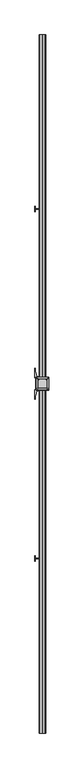
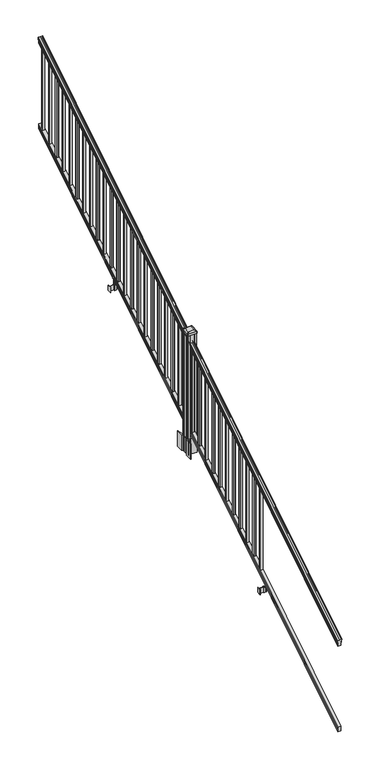
"""IFC4 building model written with IfcOpenShell, lengths in millimetres: railing geometry."""

from ifc_helpers import new_model, si_unit, point, frame, frame_2d, origin, place, context, project, spatial, polyline, circle_curve, ellipse_curve, trimmed, segment, composite_curve, outline, extrude, faceted_brep, source, transform, mapped, element, save
from ifc_brep_helpers import plane_surface, cylinder_surface, revolved_surface, extruded_surface, advanced_brep


def railing_f071205e(model_context):
    return source(origin(), model_context, "Body", "SolidModel", [
        advanced_brep(
        [(11261.7130321, -7669.8194681, 1133.2070492), (11261.7130321, -7669.8194681, 1135.4335658), (11262.8432184, -7669.8194681, 1137.2758543), (11262.8432184, -7669.8194681, 1145.7876358), (11262.193962, -7669.8194681, 1148.6572588), (11264.693962, -7669.8194681, 1153.7635509), (11266.1033045, -7669.8194681, 1155.7442021), (11266.5052035, -7669.8194681, 1157.0469579), (11266.5052034, -7669.8194681, 1158.6274846), (11264.9517561, -7669.8194681, 1160.4593836), (11244.2802034, -7669.8194681, 1160.4593836), (11223.6086506, -7669.8194681, 1160.4593836), (11222.0552034, -7669.8194681, 1158.6274846), (11222.0552034, -7669.8194681, 1157.0469579), (11222.4571023, -7669.8194681, 1155.7442021), (11223.8664447, -7669.8194681, 1153.7635509), (11226.3664447, -7669.8194681, 1148.6572588), (11225.7171883, -7669.8194681, 1145.7876358), (11225.7171883, -7669.8194681, 1137.2758543), (11226.8473746, -7669.8194681, 1135.4335658), (11226.8473746, -7669.8194681, 1133.2070492), (11229.4212034, -7669.8194681, 1133.2070492), (11229.4212034, -7669.8194681, 1120.825537), (11228.4052034, -7669.8194681, 1119.6274214), (11228.4052034, -7669.8194681, 1104.9), (11260.1552034, -7669.8194681, 1104.9), (11260.1552034, -7669.8194681, 1119.441318), (11259.1392034, -7669.8194681, 1120.6394336), (11259.1392034, -7669.8194681, 1133.2070492), (11261.7130321, -2793.0194681, 4181.2070492), (11259.1392034, -2793.0194681, 4181.2070492), (11259.1392034, -2793.0194681, 4168.6394336), (11260.1552034, -2793.0194681, 4167.441318), (11260.1552034, -2793.0194681, 4152.9), (11228.4052034, -2793.0194681, 4152.9), (11228.4052034, -2793.0194681, 4167.6274214), (11229.4212034, -2793.0194681, 4168.825537), (11229.4212034, -2793.0194681, 4181.2070492), (11226.8473746, -2793.0194681, 4181.2070492), (11226.8473746, -2793.0194681, 4183.4335658), (11225.7171883, -2793.0194681, 4185.2758543), (11225.7171883, -2793.0194681, 4193.7876358), (11226.3664447, -2793.0194681, 4196.6572588), (11223.8664447, -2793.0194681, 4201.7635509), (11222.4571023, -2793.0194681, 4203.7442021), (11222.0552033, -2793.0194681, 4205.0469579), (11222.0552034, -2793.0194681, 4206.6274846), (11223.6086506, -2793.0194681, 4208.4593836), (11244.2802034, -2793.0194681, 4208.4593836), (11264.9517561, -2793.0194681, 4208.4593836), (11266.5052034, -2793.0194681, 4206.6274846), (11266.5052034, -2793.0194681, 4205.0469579), (11266.1033045, -2793.0194681, 4203.7442021), (11264.693962, -2793.0194681, 4201.7635509), (11262.193962, -2793.0194681, 4196.6572588), (11262.8432184, -2793.0194681, 4193.7876358), (11262.8432184, -2793.0194681, 4185.2758543), (11261.7130321, -2793.0194681, 4183.4335658)],
        [
            (0, 1),
            (1, 2, ellipse_curve(frame((11255.3982788, -7669.8194681, 1142.2239405), z_axis=(0.0, -1.0, 0.0), x_axis=(0.0, 0.0, -1.0)), 10.0777926, 8.545951)),
            (2, 3, ellipse_curve(frame((11255.8353418, -7669.8194681, 1141.5317451), z_axis=(0.0, -1.0, 0.0), x_axis=(0.0, 0.0, -1.0)), 9.2955186, 7.882584)),
            (3, 4, ellipse_curve(frame((11266.3486659, -7669.8194681, 1148.4275077), z_axis=(0.0, 1.0, 0.0), x_axis=(0.0, 0.0, 1.0)), 4.9048088, 4.1592695)),
            (4, 5, ellipse_curve(frame((11267.6359725, -7669.8194681, 1148.3563208), z_axis=(0.0, 1.0, 0.0), x_axis=(0.0, 0.0, 1.0)), 6.4245301, 5.4479907)),
            (5, 6, ellipse_curve(frame((11266.402814, -7669.8194681, 1153.7602333), z_axis=(0.0, 1.0, 0.0), x_axis=(0.0, 0.0, 1.0)), 2.0151625, 1.7088543)),
            (6, 7, ellipse_curve(frame((11264.7859139, -7669.8194681, 1157.0469579), z_axis=(0.0, -1.0, 0.0), x_axis=(0.0, 0.0, -1.0)), 2.0274681, 1.7192895)),
            (7, 8),
            (8, 9, ellipse_curve(frame((11264.9517561, -7669.8194681, 1158.6274846), z_axis=(0.0, -1.0, 0.0), x_axis=(0.0, 0.0, -1.0)), 1.831899, 1.5534472)),
            (9, 10),
            (10, 11),
            (11, 12, ellipse_curve(frame((11223.6086506, -7669.8194681, 1158.6274846), z_axis=(0.0, -1.0, 0.0), x_axis=(0.0, 0.0, -1.0)), 1.831899, 1.5534472)),
            (12, 13),
            (13, 14, ellipse_curve(frame((11223.7744928, -7669.8194681, 1157.0469579), z_axis=(0.0, -1.0, 0.0), x_axis=(0.0, 0.0, -1.0)), 2.0274681, 1.7192895)),
            (14, 15, ellipse_curve(frame((11222.1575927, -7669.8194681, 1153.7602333), z_axis=(0.0, 1.0, 0.0), x_axis=(0.0, 0.0, 1.0)), 2.0151625, 1.7088543)),
            (15, 16, ellipse_curve(frame((11220.9244343, -7669.8194681, 1148.3563208), z_axis=(0.0, 1.0, 0.0), x_axis=(0.0, 0.0, 1.0)), 6.4245301, 5.4479907)),
            (16, 17, ellipse_curve(frame((11222.2117408, -7669.8194681, 1148.4275077), z_axis=(0.0, 1.0, 0.0), x_axis=(0.0, 0.0, 1.0)), 4.9048088, 4.1592695)),
            (17, 18, ellipse_curve(frame((11232.725065, -7669.8194681, 1141.5317451), z_axis=(0.0, -1.0, 0.0), x_axis=(0.0, 0.0, -1.0)), 9.2955186, 7.882584)),
            (18, 19, ellipse_curve(frame((11233.1621279, -7669.8194681, 1142.2239405), z_axis=(0.0, -1.0, 0.0), x_axis=(0.0, 0.0, -1.0)), 10.0777926, 8.545951)),
            (19, 20),
            (20, 21, ellipse_curve(frame((11228.134289, -7669.8194681, 1133.2070492), z_axis=(0.0, -1.0, 0.0), x_axis=(0.0, 0.0, -1.0)), 1.5175907, 1.2869144)),
            (21, 22),
            (22, 23),
            (23, 24),
            (24, 25),
            (25, 26),
            (26, 27),
            (27, 28),
            (28, 0, ellipse_curve(frame((11260.4261177, -7669.8194681, 1133.2070492), z_axis=(0.0, -1.0, 0.0), x_axis=(0.0, 0.0, -1.0)), 1.5175907, 1.2869144)),
            (29, 30, ellipse_curve(frame((11260.4261177, -2793.0194681, 4181.2070492), z_axis=(0.0, 1.0, 0.0), x_axis=(0.0, 0.0, -1.0)), 1.5175907, 1.2869144)),
            (30, 31),
            (31, 32),
            (32, 33),
            (33, 34),
            (34, 35),
            (35, 36),
            (36, 37),
            (37, 38, ellipse_curve(frame((11228.134289, -2793.0194681, 4181.2070492), z_axis=(0.0, 1.0, 0.0), x_axis=(0.0, 0.0, -1.0)), 1.5175907, 1.2869144)),
            (38, 39),
            (39, 40, ellipse_curve(frame((11233.1621279, -2793.0194681, 4190.2239405), z_axis=(0.0, 1.0, 0.0), x_axis=(0.0, 0.0, -1.0)), 10.0777926, 8.545951)),
            (40, 41, ellipse_curve(frame((11232.725065, -2793.0194681, 4189.5317451), z_axis=(0.0, 1.0, 0.0), x_axis=(0.0, 0.0, -1.0)), 9.2955186, 7.882584)),
            (41, 42, ellipse_curve(frame((11222.2117408, -2793.0194681, 4196.4275077), z_axis=(0.0, -1.0, 0.0), x_axis=(0.0, 0.0, 1.0)), 4.9048088, 4.1592695)),
            (42, 43, ellipse_curve(frame((11220.9244343, -2793.0194681, 4196.3563208), z_axis=(0.0, -1.0, 0.0), x_axis=(0.0, 0.0, 1.0)), 6.4245301, 5.4479907)),
            (43, 44, ellipse_curve(frame((11222.1575927, -2793.0194681, 4201.7602333), z_axis=(0.0, -1.0, 0.0), x_axis=(0.0, 0.0, 1.0)), 2.0151625, 1.7088543)),
            (44, 45, ellipse_curve(frame((11223.7744928, -2793.0194681, 4205.0469579), z_axis=(0.0, 1.0, 0.0), x_axis=(0.0, 0.0, -1.0)), 2.0274681, 1.7192895)),
            (45, 46),
            (46, 47, ellipse_curve(frame((11223.6086506, -2793.0194681, 4206.6274846), z_axis=(0.0, 1.0, 0.0), x_axis=(0.0, 0.0, -1.0)), 1.831899, 1.5534472)),
            (47, 48),
            (48, 49),
            (49, 50, ellipse_curve(frame((11264.9517561, -2793.0194681, 4206.6274846), z_axis=(0.0, 1.0, 0.0), x_axis=(0.0, 0.0, -1.0)), 1.831899, 1.5534472)),
            (50, 51),
            (51, 52, ellipse_curve(frame((11264.7859139, -2793.0194681, 4205.0469579), z_axis=(0.0, 1.0, 0.0), x_axis=(0.0, 0.0, -1.0)), 2.0274681, 1.7192895)),
            (52, 53, ellipse_curve(frame((11266.402814, -2793.0194681, 4201.7602333), z_axis=(0.0, -1.0, 0.0), x_axis=(0.0, 0.0, 1.0)), 2.0151625, 1.7088543)),
            (53, 54, ellipse_curve(frame((11267.6359725, -2793.0194681, 4196.3563208), z_axis=(0.0, -1.0, 0.0), x_axis=(0.0, 0.0, 1.0)), 6.4245301, 5.4479907)),
            (54, 55, ellipse_curve(frame((11266.3486659, -2793.0194681, 4196.4275077), z_axis=(0.0, -1.0, 0.0), x_axis=(0.0, 0.0, 1.0)), 4.9048088, 4.1592695)),
            (55, 56, ellipse_curve(frame((11255.8353418, -2793.0194681, 4189.5317451), z_axis=(0.0, 1.0, 0.0), x_axis=(0.0, 0.0, -1.0)), 9.2955186, 7.882584)),
            (56, 57, ellipse_curve(frame((11255.3982788, -2793.0194681, 4190.2239405), z_axis=(0.0, 1.0, 0.0), x_axis=(0.0, 0.0, -1.0)), 10.0777926, 8.545951)),
            (57, 29),
            (28, 30),
            (29, 0),
            (27, 31),
            (26, 32),
            (25, 33),
            (24, 34),
            (23, 35),
            (22, 36),
            (21, 37),
            (20, 38),
            (19, 39),
            (18, 40),
            (17, 41),
            (16, 42),
            (15, 43),
            (14, 44),
            (13, 45),
            (12, 46),
            (11, 47),
            (10, 48),
            (9, 49),
            (8, 50),
            (7, 51),
            (6, 52),
            (5, 53),
            (4, 54),
            (3, 55),
            (2, 56),
            (1, 57),
        ],
        [
            plane_surface(frame((11244.2802034, -7669.8194681, 1104.9), z_axis=(0.0, -1.0, 0.0), x_axis=(0.0, 0.0, 1.0))),
            plane_surface(frame((11244.2802034, -2793.0194681, 4152.9), z_axis=(0.0, 1.0, 0.0), x_axis=(0.0, 0.0, 1.0))),
            cylinder_surface(frame((11260.4261177, -7682.5417374, 1125.2556309), z_axis=(0.0, -0.8479983040051253, -0.5299989400031204), x_axis=(-1.0, 0.0, 0.0)), 1.2869144),
            plane_surface(frame((11259.1392034, -7669.8194681, 1120.6394336), z_axis=(1.0000000000000002, 0.0, 0.0), x_axis=(0.0, 0.8479983040051253, 0.5299989400031204))),
            plane_surface(frame((11260.1552034, -7669.8194681, 1119.441318), z_axis=(0.7071067811865389, -0.3747658444978942, 0.5996253511967224), x_axis=(0.0, 0.8479983040051252, 0.5299989400031204))),
            plane_surface(frame((11260.1552034, -7669.8194681, 1104.9), z_axis=(1.0000000000000002, 0.0, 0.0), x_axis=(0.0, 0.8479983040051253, 0.5299989400031204))),
            plane_surface(frame((11228.4052034, -7669.8194681, 1104.9), z_axis=(0.0, 0.5299989400031204, -0.8479983040051253), x_axis=(0.0, 0.8479983040051253, 0.5299989400031204))),
            plane_surface(frame((11228.4052034, -7669.8194681, 1119.6274214), z_axis=(-1.0000000000000002, 0.0, 0.0), x_axis=(0.0, 0.8479983040051253, 0.5299989400031204))),
            plane_surface(frame((11229.4212034, -7669.8194681, 1120.825537), z_axis=(-0.7071067811865439, -0.37476584449788974, 0.5996253511967192), x_axis=(0.0, 0.8479983040051252, 0.5299989400031205))),
            plane_surface(frame((11229.4212034, -7669.8194681, 1133.2070492), z_axis=(-1.0000000000000002, 0.0, 0.0), x_axis=(0.0, 0.8479983040051253, 0.5299989400031204))),
            cylinder_surface(frame((11228.134289, -7682.5417374, 1125.2556309), z_axis=(0.0, -0.8479983040051253, -0.5299989400031204), x_axis=(1.0, 0.0, 0.0)), 1.2869144),
            plane_surface(frame((11226.8473746, -7669.8194681, 1135.4335658), z_axis=(-1.0000000000000002, 0.0, 0.0), x_axis=(0.0, 0.8479983040051253, 0.5299989400031204))),
            cylinder_surface(frame((11233.1621279, -7686.5942728, 1131.7396876), z_axis=(0.0, -0.8479983040051253, -0.5299989400031204), x_axis=(1.0, 0.0, 0.0)), 8.545951),
            cylinder_surface(frame((11232.725065, -7686.2831737, 1131.241929), z_axis=(0.0, -0.8479983040051253, -0.5299989400031204), x_axis=(1.0, 0.0, 0.0)), 7.882584),
            revolved_surface(polyline([(11226.3710103, -2790.8150596503465, 4197.805262980555), (11226.3710103, -7672.023876549438, 1147.0497524190998)]), (11222.2117408, -7689.3823929, 1136.2006797), (0.0, 0.8479983040051253, 0.5299989400031204)),
            revolved_surface(polyline([(11226.372425, -2790.132038835739, 4198.160964077184), (11226.372425, -7672.7068973528085, 1146.5516775044932)]), (11220.9244343, -7689.3503988, 1136.1494891), (0.0, 0.8479983040051253, 0.5299989400031204)),
            revolved_surface(polyline([(11223.866447, -2792.113777099783, 4202.326290199657), (11223.866447, -7670.725159122471, 1153.1941764359535)]), (11222.1575927, -7691.7791235, 1140.0354487), (0.0, 0.8479983040051253, 0.5299989400031204)),
            cylinder_surface(frame((11223.7744928, -7693.2563031, 1142.398936), z_axis=(0.0, -0.8479983040051253, -0.5299989400031204), x_axis=(1.0, 0.0, 0.0)), 1.7192895),
            plane_surface(frame((11222.0552034, -7669.8194681, 1158.6274846), z_axis=(-1.0000000000000002, 0.0, 0.0), x_axis=(0.0, 0.8479983040051253, 0.5299989400031204))),
            cylinder_surface(frame((11223.6086506, -7693.9666522, 1143.5354945), z_axis=(0.0, -0.8479983040051253, -0.5299989400031204), x_axis=(1.0, 0.0, 0.0)), 1.5534472),
            plane_surface(frame((11244.2802034, -7669.8194681, 1160.4593836), z_axis=(0.0, -0.5299989400031204, 0.8479983040051253), x_axis=(0.0, 0.8479983040051253, 0.5299989400031204))),
            plane_surface(frame((11264.9517561, -7669.8194681, 1160.4593836), z_axis=(0.0, -0.5299989400031204, 0.8479983040051253), x_axis=(0.0, 0.8479983040051253, 0.5299989400031204))),
            cylinder_surface(frame((11264.9517561, -7693.9666522, 1143.5354945), z_axis=(0.0, -0.8479983040051253, -0.5299989400031204), x_axis=(-1.0, 0.0, 0.0)), 1.5534472),
            plane_surface(frame((11266.5052034, -7669.8194681, 1157.0469579), z_axis=(1.0000000000000002, 0.0, 0.0), x_axis=(0.0, 0.8479983040051253, 0.5299989400031204))),
            cylinder_surface(frame((11264.7859139, -7693.2563031, 1142.398936), z_axis=(0.0, -0.8479983040051253, -0.5299989400031204), x_axis=(-1.0, 0.0, 0.0)), 1.7192895),
            revolved_surface(polyline([(11264.693959699998, -2792.113777099783, 4202.326290199657), (11264.693959699998, -7670.725159122471, 1153.1941764359535)]), (11266.402814, -7691.7791235, 1140.0354487), (0.0, 0.8479983040051253, 0.5299989400031204)),
            revolved_surface(polyline([(11262.1879818, -2790.132038835739, 4198.160964077184), (11262.1879818, -7672.7068973528085, 1146.5516775044932)]), (11267.6359725, -7689.3503988, 1136.1494891), (0.0, 0.8479983040051253, 0.5299989400031204)),
            revolved_surface(polyline([(11262.1893964, -2790.8150596503465, 4197.805262980555), (11262.1893964, -7672.023876549438, 1147.0497524190998)]), (11266.3486659, -7689.3823929, 1136.2006797), (0.0, 0.8479983040051253, 0.5299989400031204)),
            cylinder_surface(frame((11255.8353418, -7686.2831737, 1131.241929), z_axis=(0.0, -0.8479983040051253, -0.5299989400031204), x_axis=(-1.0, 0.0, 0.0)), 7.882584),
            cylinder_surface(frame((11255.3982788, -7686.5942728, 1131.7396876), z_axis=(0.0, -0.8479983040051253, -0.5299989400031204), x_axis=(-1.0, 0.0, 0.0)), 8.545951),
            plane_surface(frame((11261.7130321, -7669.8194681, 1133.2070492), z_axis=(1.0, 0.0, 0.0), x_axis=(0.0, 0.8479983040051253, 0.5299989400031203))),
        ],
        [
            (0, [[1, 2, 3, 4, 5, 6, 7, 8, 9, 10, 11, 12, 13, 14, 15, 16, 17, 18, 19, 20, 21, 22, 23, 24, 25, 26, 27, 28, 29]]),
            (1, [[30, 31, 32, 33, 34, 35, 36, 37, 38, 39, 40, 41, 42, 43, 44, 45, 46, 47, 48, 49, 50, 51, 52, 53, 54, 55, 56, 57, 58]]),
            (2, [[-29, 59, -30, 60]]),
            (3, [[-28, 61, -31, -59]]),
            (4, [[-27, 62, -32, -61]]),
            (5, [[-26, 63, -33, -62]]),
            (6, [[-25, 64, -34, -63]]),
            (7, [[-24, 65, -35, -64]]),
            (8, [[-23, 66, -36, -65]]),
            (9, [[-22, 67, -37, -66]]),
            (10, [[-21, 68, -38, -67]]),
            (11, [[-20, 69, -39, -68]]),
            (12, [[-19, 70, -40, -69]]),
            (13, [[-18, 71, -41, -70]]),
            (14, [[-17, 72, -42, -71]]),
            (15, [[-16, 73, -43, -72]]),
            (16, [[-15, 74, -44, -73]]),
            (17, [[-14, 75, -45, -74]]),
            (18, [[-13, 76, -46, -75]]),
            (19, [[-12, 77, -47, -76]]),
            (20, [[-11, 78, -48, -77]]),
            (21, [[-10, 79, -49, -78]]),
            (22, [[-9, 80, -50, -79]]),
            (23, [[-8, 81, -51, -80]]),
            (24, [[-7, 82, -52, -81]]),
            (25, [[-6, 83, -53, -82]]),
            (26, [[-5, 84, -54, -83]]),
            (27, [[-4, 85, -55, -84]]),
            (28, [[-3, 86, -56, -85]]),
            (29, [[-2, 87, -57, -86]]),
            (30, [[-1, -60, -58, -87]]),
        ],
    ),
        faceted_brep([(11260.1926903, -7669.8194681, 268.8045079), (11259.1766903, -7669.8194681, 270.338026), (11259.1766903, -7669.8194681, 282.5545048), (11260.1926903, -7669.8194681, 284.1444579), (11260.1926903, -7669.8194681, 298.9244744), (11228.4426903, -7669.8194681, 298.9244744), (11228.4426903, -7669.8194681, 284.1248272), (11229.4586903, -7669.8194681, 282.5348741), (11229.4586903, -7669.8194681, 270.3748303), (11228.4426903, -7669.8194681, 268.7848772), (11228.4426903, -7669.8194681, 254.0), (11260.1926903, -7669.8194681, 254.0), (11260.1926903, -2793.0194681, 3316.8045079), (11260.1926903, -2793.0194681, 3302.0), (11228.4426903, -2793.0194681, 3302.0), (11228.4426903, -2793.0194681, 3316.7848772), (11229.4586903, -2793.0194681, 3318.3748303), (11229.4586903, -2793.0194681, 3330.5348741), (11228.4426903, -2793.0194681, 3332.1248272), (11228.4426903, -2793.0194681, 3346.9244744), (11260.1926903, -2793.0194681, 3346.9244744), (11260.1926903, -2793.0194681, 3332.1444579), (11259.1766903, -2793.0194681, 3330.5545048), (11259.1766903, -2793.0194681, 3318.338026)], [[[0, 1, 2, 3, 4, 5, 6, 7, 8, 9, 10, 11]], [[12, 13, 14, 15, 16, 17, 18, 19, 20, 21, 22, 23]], [[0, 11, 13, 12]], [[11, 10, 14, 13]], [[10, 9, 15, 14]], [[9, 8, 16, 15]], [[8, 7, 17, 16]], [[7, 6, 18, 17]], [[6, 5, 19, 18]], [[5, 4, 20, 19]], [[4, 3, 21, 20]], [[3, 2, 22, 21]], [[2, 1, 23, 22]], [[1, 0, 12, 23]]]),
        extrude(outline(polyline([(11253.8052034, -2849.7884681), (11234.7552034, -2849.7884681), (11234.7552034, -2830.7384681), (11253.8052034, -2830.7384681), (11253.8052034, -2849.7884681)]), holes=[polyline([(11253.4083284, -2849.3915931), (11253.4083284, -2831.1353431), (11235.1520784, -2831.1353431), (11235.1520784, -2849.3915931), (11253.4083284, -2849.3915931)])]), frame((0.0, 0.0, 3310.5683781), z_axis=(0.0, 0.0, 1.0), x_axis=(1.0, 0.0, 0.0)), (0.0, 0.0, 1.0), 812.8041219),
        extrude(outline(polyline([(11253.8052034, -2961.0404681), (11234.7552034, -2961.0404681), (11234.7552034, -2941.9904681), (11253.8052034, -2941.9904681), (11253.8052034, -2961.0404681)]), holes=[polyline([(11253.4083284, -2960.6435931), (11253.4083284, -2942.3873431), (11235.1520784, -2942.3873431), (11235.1520784, -2960.6435931), (11253.4083284, -2960.6435931)])]), frame((0.0, 0.0, 3241.0358781), z_axis=(0.0, 0.0, 1.0), x_axis=(1.0, 0.0, 0.0)), (0.0, 0.0, 1.0), 812.8041219),
        extrude(outline(polyline([(11253.8052034, -3072.2924681), (11234.7552034, -3072.2924681), (11234.7552034, -3053.2424681), (11253.8052034, -3053.2424681), (11253.8052034, -3072.2924681)]), holes=[polyline([(11253.4083284, -3071.8955931), (11253.4083284, -3053.6393431), (11235.1520784, -3053.6393431), (11235.1520784, -3071.8955931), (11253.4083284, -3071.8955931)])]), frame((0.0, 0.0, 3171.5033781), z_axis=(0.0, 0.0, 1.0), x_axis=(1.0, 0.0, 0.0)), (0.0, 0.0, 1.0), 812.8041219),
        extrude(outline(polyline([(11253.8052034, -3183.5444681), (11234.7552034, -3183.5444681), (11234.7552034, -3164.4944681), (11253.8052034, -3164.4944681), (11253.8052034, -3183.5444681)]), holes=[polyline([(11253.4083284, -3183.1475931), (11253.4083284, -3164.8913431), (11235.1520784, -3164.8913431), (11235.1520784, -3183.1475931), (11253.4083284, -3183.1475931)])]), frame((0.0, 0.0, 3101.9708781), z_axis=(0.0, 0.0, 1.0), x_axis=(1.0, 0.0, 0.0)), (0.0, 0.0, 1.0), 812.8041219),
        extrude(outline(polyline([(11253.8052034, -3294.7964681), (11234.7552034, -3294.7964681), (11234.7552034, -3275.7464681), (11253.8052034, -3275.7464681), (11253.8052034, -3294.7964681)]), holes=[polyline([(11253.4083284, -3294.3995931), (11253.4083284, -3276.1433431), (11235.1520784, -3276.1433431), (11235.1520784, -3294.3995931), (11253.4083284, -3294.3995931)])]), frame((0.0, 0.0, 3032.4383781), z_axis=(0.0, 0.0, 1.0), x_axis=(1.0, 0.0, 0.0)), (0.0, 0.0, 1.0), 812.8041219),
        extrude(outline(polyline([(11253.8052034, -3406.0484681), (11234.7552034, -3406.0484681), (11234.7552034, -3386.9984681), (11253.8052034, -3386.9984681), (11253.8052034, -3406.0484681)]), holes=[polyline([(11253.4083284, -3405.6515931), (11253.4083284, -3387.3953431), (11235.1520784, -3387.3953431), (11235.1520784, -3405.6515931), (11253.4083284, -3405.6515931)])]), frame((0.0, 0.0, 2962.9058781), z_axis=(0.0, 0.0, 1.0), x_axis=(1.0, 0.0, 0.0)), (0.0, 0.0, 1.0), 812.8041219),
        extrude(outline(polyline([(11253.8052034, -3517.3004681), (11234.7552034, -3517.3004681), (11234.7552034, -3498.2504681), (11253.8052034, -3498.2504681), (11253.8052034, -3517.3004681)]), holes=[polyline([(11253.4083284, -3516.9035931), (11253.4083284, -3498.6473431), (11235.1520784, -3498.6473431), (11235.1520784, -3516.9035931), (11253.4083284, -3516.9035931)])]), frame((0.0, 0.0, 2893.3733781), z_axis=(0.0, 0.0, 1.0), x_axis=(1.0, 0.0, 0.0)), (0.0, 0.0, 1.0), 812.8041219),
        extrude(outline(polyline([(11253.8052034, -3628.5524681), (11234.7552034, -3628.5524681), (11234.7552034, -3609.5024681), (11253.8052034, -3609.5024681), (11253.8052034, -3628.5524681)]), holes=[polyline([(11253.4083284, -3628.1555931), (11253.4083284, -3609.8993431), (11235.1520784, -3609.8993431), (11235.1520784, -3628.1555931), (11253.4083284, -3628.1555931)])]), frame((0.0, 0.0, 2823.8408781), z_axis=(0.0, 0.0, 1.0), x_axis=(1.0, 0.0, 0.0)), (0.0, 0.0, 1.0), 812.8041219),
        extrude(outline(polyline([(11253.8052034, -3739.8044681), (11234.7552034, -3739.8044681), (11234.7552034, -3720.7544681), (11253.8052034, -3720.7544681), (11253.8052034, -3739.8044681)]), holes=[polyline([(11253.4083284, -3739.4075931), (11253.4083284, -3721.1513431), (11235.1520784, -3721.1513431), (11235.1520784, -3739.4075931), (11253.4083284, -3739.4075931)])]), frame((0.0, 0.0, 2754.3083781), z_axis=(0.0, 0.0, 1.0), x_axis=(1.0, 0.0, 0.0)), (0.0, 0.0, 1.0), 812.8041219),
        extrude(outline(polyline([(11253.8052034, -3851.0564681), (11234.7552034, -3851.0564681), (11234.7552034, -3832.0064681), (11253.8052034, -3832.0064681), (11253.8052034, -3851.0564681)]), holes=[polyline([(11253.4083284, -3850.6595931), (11253.4083284, -3832.4033431), (11235.1520784, -3832.4033431), (11235.1520784, -3850.6595931), (11253.4083284, -3850.6595931)])]), frame((0.0, 0.0, 2684.7758781), z_axis=(0.0, 0.0, 1.0), x_axis=(1.0, 0.0, 0.0)), (0.0, 0.0, 1.0), 812.8041219),
        extrude(outline(polyline([(11253.8052034, -3962.3084681), (11234.7552034, -3962.3084681), (11234.7552034, -3943.2584681), (11253.8052034, -3943.2584681), (11253.8052034, -3962.3084681)]), holes=[polyline([(11253.4083284, -3961.9115931), (11253.4083284, -3943.6553431), (11235.1520784, -3943.6553431), (11235.1520784, -3961.9115931), (11253.4083284, -3961.9115931)])]), frame((0.0, 0.0, 2615.2433781), z_axis=(0.0, 0.0, 1.0), x_axis=(1.0, 0.0, 0.0)), (0.0, 0.0, 1.0), 812.8041219),
        extrude(outline(polyline([(11233.6122036, -4009.6794681), (11194.2422034, -4009.6794681), (11194.2422034, -4007.1394681), (11233.6122036, -4007.1394681), (11233.6122036, -4009.6794681)])), frame((0.0, 0.0, 2428.08125), z_axis=(0.0, 0.0, 1.0), x_axis=(1.0, 0.0, 0.0)), (0.0, 0.0, 1.0), 50.8),
        extrude(outline(polyline([(11194.2422034, -4027.4594681), (11191.7022034, -4027.4594681), (11191.7022034, -3989.3594681), (11194.2422034, -3989.3594681), (11194.2422034, -4027.4594681)])), frame((0.0, 0.0, 2428.08125), z_axis=(0.0, 0.0, 1.0), x_axis=(1.0, 0.0, 0.0)), (0.0, 0.0, 1.0), 50.8),
        extrude(outline(polyline([(11254.9482041, -4018.3154681), (11233.6122036, -4018.3154681), (11233.6122036, -3998.5034681), (11254.9482041, -3998.5034681), (11254.9482041, -4018.3154681)]), holes=[polyline([(11251.646204, -4015.7754681), (11251.646204, -4001.0434681), (11236.9142037, -4001.0434681), (11236.9142037, -4015.7754681), (11251.646204, -4015.7754681)])]), frame((0.0, 0.0, 2428.08125), z_axis=(0.0, 0.0, 1.0), x_axis=(1.0, 0.0, 0.0)), (0.0, 0.0, 1.0), 50.8),
        extrude(outline(polyline([(2567.6016479, 11226.1192046), (2566.8396469, 11225.3572035), (2540.3492523, 11225.3572035), (2539.5872513, 11226.1192046), (2539.5872513, 11236.1522036), (2538.8252512, 11236.9142037), (2475.3252512, 11236.9142037), (2475.3252512, 11251.646204), (2538.8252512, 11251.646204), (2539.5872513, 11252.4082041), (2539.5872513, 11262.4412032), (2540.3492523, 11263.2032042), (2566.8396469, 11263.2032042), (2567.6016479, 11262.4412032), (2567.6016479, 11260.4092036), (2566.5856453, 11259.3932038), (2556.1498581, 11259.3932038), (2555.1338573, 11260.4092036), (2543.143251, 11260.4092036), (2542.3812519, 11259.6472044), (2542.3812519, 11228.9132033), (2543.143251, 11228.1512041), (2555.1338573, 11228.1512041), (2556.1498581, 11229.1672039), (2566.5856453, 11229.1672039), (2567.6016479, 11228.1512041), (2567.6016479, 11226.1192046)]), holes=[polyline([(2539.5872513, 11247.7092038), (2538.8252512, 11248.4712038), (2482.8182531, 11248.4712038), (2482.0562531, 11247.7092038), (2482.0562531, 11240.8512011), (2482.8182503, 11240.0892039), (2538.8252512, 11240.0892039), (2539.5872513, 11240.851204), (2539.5872513, 11247.7092038)])]), frame((0.0, -4015.7754681, 0.0), z_axis=(0.0, 1.0, 0.0), x_axis=(0.0, 0.0, 1.0)), (0.0, 0.0, 1.0), 14.732),
        extrude(outline(polyline([(11253.8052034, -4073.5604681), (11234.7552034, -4073.5604681), (11234.7552034, -4054.5104681), (11253.8052034, -4054.5104681), (11253.8052034, -4073.5604681)]), holes=[polyline([(11253.4083284, -4073.1635931), (11253.4083284, -4054.9073431), (11235.1520784, -4054.9073431), (11235.1520784, -4073.1635931), (11253.4083284, -4073.1635931)])]), frame((0.0, 0.0, 2545.7108781), z_axis=(0.0, 0.0, 1.0), x_axis=(1.0, 0.0, 0.0)), (0.0, 0.0, 1.0), 812.8041219),
        extrude(outline(polyline([(11253.8052034, -4184.8124681), (11234.7552034, -4184.8124681), (11234.7552034, -4165.7624681), (11253.8052034, -4165.7624681), (11253.8052034, -4184.8124681)]), holes=[polyline([(11253.4083284, -4184.4155931), (11253.4083284, -4166.1593431), (11235.1520784, -4166.1593431), (11235.1520784, -4184.4155931), (11253.4083284, -4184.4155931)])]), frame((0.0, 0.0, 2476.1783781), z_axis=(0.0, 0.0, 1.0), x_axis=(1.0, 0.0, 0.0)), (0.0, 0.0, 1.0), 812.8041219),
        extrude(outline(polyline([(11253.8052034, -4296.0644681), (11234.7552034, -4296.0644681), (11234.7552034, -4277.0144681), (11253.8052034, -4277.0144681), (11253.8052034, -4296.0644681)]), holes=[polyline([(11253.4083284, -4295.6675931), (11253.4083284, -4277.4113431), (11235.1520784, -4277.4113431), (11235.1520784, -4295.6675931), (11253.4083284, -4295.6675931)])]), frame((0.0, 0.0, 2406.6458781), z_axis=(0.0, 0.0, 1.0), x_axis=(1.0, 0.0, 0.0)), (0.0, 0.0, 1.0), 812.8041219),
        extrude(outline(polyline([(11253.8052034, -4407.3164681), (11234.7552034, -4407.3164681), (11234.7552034, -4388.2664681), (11253.8052034, -4388.2664681), (11253.8052034, -4407.3164681)]), holes=[polyline([(11253.4083284, -4406.9195931), (11253.4083284, -4388.6633431), (11235.1520784, -4388.6633431), (11235.1520784, -4406.9195931), (11253.4083284, -4406.9195931)])]), frame((0.0, 0.0, 2337.1133781), z_axis=(0.0, 0.0, 1.0), x_axis=(1.0, 0.0, 0.0)), (0.0, 0.0, 1.0), 812.8041219),
        extrude(outline(polyline([(11253.8052034, -4518.5684681), (11234.7552034, -4518.5684681), (11234.7552034, -4499.5184681), (11253.8052034, -4499.5184681), (11253.8052034, -4518.5684681)]), holes=[polyline([(11253.4083284, -4518.1715931), (11253.4083284, -4499.9153431), (11235.1520784, -4499.9153431), (11235.1520784, -4518.1715931), (11253.4083284, -4518.1715931)])]), frame((0.0, 0.0, 2267.5808781), z_axis=(0.0, 0.0, 1.0), x_axis=(1.0, 0.0, 0.0)), (0.0, 0.0, 1.0), 812.8041219),
        extrude(outline(polyline([(11253.8052034, -4629.8204681), (11234.7552034, -4629.8204681), (11234.7552034, -4610.7704681), (11253.8052034, -4610.7704681), (11253.8052034, -4629.8204681)]), holes=[polyline([(11253.4083284, -4629.4235931), (11253.4083284, -4611.1673431), (11235.1520784, -4611.1673431), (11235.1520784, -4629.4235931), (11253.4083284, -4629.4235931)])]), frame((0.0, 0.0, 2198.0483781), z_axis=(0.0, 0.0, 1.0), x_axis=(1.0, 0.0, 0.0)), (0.0, 0.0, 1.0), 812.8041219),
        extrude(outline(polyline([(11253.8052034, -4741.0724681), (11234.7552034, -4741.0724681), (11234.7552034, -4722.0224681), (11253.8052034, -4722.0224681), (11253.8052034, -4741.0724681)]), holes=[polyline([(11253.4083284, -4740.6755931), (11253.4083284, -4722.4193431), (11235.1520784, -4722.4193431), (11235.1520784, -4740.6755931), (11253.4083284, -4740.6755931)])]), frame((0.0, 0.0, 2128.5158781), z_axis=(0.0, 0.0, 1.0), x_axis=(1.0, 0.0, 0.0)), (0.0, 0.0, 1.0), 812.8041219),
        extrude(outline(polyline([(11253.8052034, -4852.3244681), (11234.7552034, -4852.3244681), (11234.7552034, -4833.2744681), (11253.8052034, -4833.2744681), (11253.8052034, -4852.3244681)]), holes=[polyline([(11253.4083284, -4851.9275931), (11253.4083284, -4833.6713431), (11235.1520784, -4833.6713431), (11235.1520784, -4851.9275931), (11253.4083284, -4851.9275931)])]), frame((0.0, 0.0, 2058.9833781), z_axis=(0.0, 0.0, 1.0), x_axis=(1.0, 0.0, 0.0)), (0.0, 0.0, 1.0), 812.8041219),
        extrude(outline(polyline([(11253.8052034, -4963.5764681), (11234.7552034, -4963.5764681), (11234.7552034, -4944.5264681), (11253.8052034, -4944.5264681), (11253.8052034, -4963.5764681)]), holes=[polyline([(11253.4083284, -4963.1795931), (11253.4083284, -4944.9233431), (11235.1520784, -4944.9233431), (11235.1520784, -4963.1795931), (11253.4083284, -4963.1795931)])]), frame((0.0, 0.0, 1989.4508781), z_axis=(0.0, 0.0, 1.0), x_axis=(1.0, 0.0, 0.0)), (0.0, 0.0, 1.0), 812.8041219),
        extrude(outline(polyline([(11253.8052034, -5074.8284681), (11234.7552034, -5074.8284681), (11234.7552034, -5055.7784681), (11253.8052034, -5055.7784681), (11253.8052034, -5074.8284681)]), holes=[polyline([(11253.4083284, -5074.4315931), (11253.4083284, -5056.1753431), (11235.1520784, -5056.1753431), (11235.1520784, -5074.4315931), (11253.4083284, -5074.4315931)])]), frame((0.0, 0.0, 1919.9183781), z_axis=(0.0, 0.0, 1.0), x_axis=(1.0, 0.0, 0.0)), (0.0, 0.0, 1.0), 812.8041219),
        extrude(outline(polyline([(11253.8052034, -5186.0804681), (11234.7552034, -5186.0804681), (11234.7552034, -5167.0304681), (11253.8052034, -5167.0304681), (11253.8052034, -5186.0804681)]), holes=[polyline([(11253.4083284, -5185.6835931), (11253.4083284, -5167.4273431), (11235.1520784, -5167.4273431), (11235.1520784, -5185.6835931), (11253.4083284, -5185.6835931)])]), frame((0.0, 0.0, 1850.3858781), z_axis=(0.0, 0.0, 1.0), x_axis=(1.0, 0.0, 0.0)), (0.0, 0.0, 1.0), 812.8041219),
        extrude(outline(composite_curve([segment(polyline([(11287.0157034, -5246.265563), (11288.6032034, -5247.027563), (11288.6032034, -5269.829491), (11285.2302263, -5273.2024681), (11223.7705555, -5273.2024681), (11223.7705555, -5274.1232181), (11218.4530117, -5274.1232181), (11218.4530117, -5275.5774728), (11213.368482, -5275.5774728), (11213.368482, -5276.8614966), (11211.7012097, -5276.8614966)]), True, "CONTINUOUS"), segment(trimmed(circle_curve(frame_2d((11211.7012097, -5283.9209565)), 7.0594599), [point((11211.7012097, -5276.8614966))], [point((11204.9339468, -5281.9109498))], True, "CARTESIAN"), True, "CONTINUOUS"), segment(polyline([(11204.9339468, -5281.9109498), (11197.0597526, -5308.4216789)]), True, "CONTINUOUS"), segment(trimmed(circle_curve(frame_2d((11251.8442659, -5324.6937285)), 57.15), [point((11197.0597526, -5308.4216789))], [point((11194.6942659, -5324.6937285))], True, "CARTESIAN"), True, "CONTINUOUS"), segment(polyline([(11194.6942659, -5324.6937285), (11194.6942659, -5336.7024681), (11191.6942659, -5336.7024681), (11191.6942659, -5271.6149681), (11199.9572034, -5260.2766768), (11199.9572034, -5247.027563), (11201.5447034, -5246.265563), (11201.5447034, -5211.4933732), (11199.9572034, -5210.7313732), (11199.9572034, -5197.4822594), (11191.6942659, -5186.1439681), (11191.6942659, -5121.0564681), (11194.6942659, -5121.0564681), (11194.6942659, -5133.0652076)]), True, "CONTINUOUS"), segment(trimmed(circle_curve(frame_2d((11251.8442659, -5133.0652076)), 57.15), [point((11194.6942659, -5133.0652076))], [point((11197.0597526, -5149.3372573))], True, "CARTESIAN"), True, "CONTINUOUS"), segment(polyline([(11197.0597526, -5149.3372573), (11204.9339468, -5175.8479864)]), True, "CONTINUOUS"), segment(trimmed(circle_curve(frame_2d((11211.7012097, -5173.8379797)), 7.0594599), [point((11204.9339468, -5175.8479864))], [point((11211.7012097, -5180.8974396))], True, "CARTESIAN"), True, "CONTINUOUS"), segment(polyline([(11211.7012097, -5180.8974396), (11213.368482, -5180.8974396), (11213.368482, -5182.1814634), (11218.4530117, -5182.1814634), (11218.4530117, -5183.6357181), (11223.7705555, -5183.6357181), (11223.7705555, -5184.5564681), (11285.2302263, -5184.5564681), (11288.6032034, -5187.9294452), (11288.6032034, -5210.7313732), (11287.0157034, -5211.4933732), (11287.0157034, -5246.265563)]), True, "CONTINUOUS")], self_intersect=False), holes=[polyline([(11203.0052034, -5189.1919681), (11203.0052034, -5268.5669681), (11204.5927034, -5270.1544681), (11241.516986, -5270.1544681), (11283.9677034, -5270.1544681), (11285.5552034, -5268.5669681), (11285.5552034, -5189.1919681), (11283.9677034, -5187.6044681), (11241.516986, -5187.6044681), (11204.5927034, -5187.6044681), (11203.0052034, -5189.1919681)])]), frame((0.0, 0.0, 1563.6875), z_axis=(0.0, 0.0, 1.0), x_axis=(1.0, 0.0, 0.0)), (0.0, 0.0, 1.0), 152.4),
        advanced_brep(
        [(11218.4833284, -5257.8513431, 2776.026763), (11270.0770784, -5257.8513431, 2776.026763), (11273.2520784, -5254.6763431, 2776.026763), (11273.2520784, -5203.0825931, 2776.026763), (11270.0770784, -5199.9075931, 2776.026763), (11218.4833284, -5199.9075931, 2776.026763), (11215.3083284, -5203.0825931, 2776.026763), (11215.3083284, -5254.6763431, 2776.026763), (11202.2114534, -5274.1232181, 2764.723763), (11199.0364534, -5270.9482181, 2764.723763), (11199.0364534, -5186.8107181, 2764.723763), (11202.2114534, -5183.6357181, 2764.723763), (11286.3489534, -5183.6357181, 2764.723763), (11289.5239534, -5186.8107181, 2764.723763), (11289.5239534, -5270.9482181, 2764.723763), (11286.3489534, -5274.1232181, 2764.723763)],
        [
            (0, 1),
            (1, 2, circle_curve(frame((11270.0770784, -5254.6763431, 2776.026763), z_axis=(0.0, 0.0, 1.0), x_axis=(0.0, 1.0, 0.0)), 3.175)),
            (2, 3),
            (3, 4, circle_curve(frame((11270.0770784, -5203.0825931, 2776.026763), z_axis=(0.0, 0.0, 1.0), x_axis=(0.0, 1.0, 0.0)), 3.175)),
            (4, 5),
            (5, 6, circle_curve(frame((11218.4833284, -5203.0825931, 2776.026763), z_axis=(0.0, 0.0, 1.0), x_axis=(0.0, 1.0, 0.0)), 3.175)),
            (6, 7),
            (7, 0, circle_curve(frame((11218.4833284, -5254.6763431, 2776.026763), z_axis=(0.0, 0.0, 1.0), x_axis=(0.0, 1.0, 0.0)), 3.175)),
            (8, 9, circle_curve(frame((11202.2114534, -5270.9482181, 2764.723763), z_axis=(0.0, 0.0, -1.0), x_axis=(0.0, 1.0, 0.0)), 3.175)),
            (9, 10),
            (10, 11, circle_curve(frame((11202.2114534, -5186.8107181, 2764.723763), z_axis=(0.0, 0.0, -1.0), x_axis=(0.0, 1.0, 0.0)), 3.175)),
            (11, 12),
            (12, 13, circle_curve(frame((11286.3489534, -5186.8107181, 2764.723763), z_axis=(0.0, 0.0, -1.0), x_axis=(0.0, 1.0, 0.0)), 3.175)),
            (13, 14),
            (14, 15, circle_curve(frame((11286.3489534, -5270.9482181, 2764.723763), z_axis=(0.0, 0.0, -1.0), x_axis=(0.0, 1.0, 0.0)), 3.175)),
            (15, 8),
            (8, 0),
            (7, 9),
            (6, 10),
            (5, 11),
            (4, 12),
            (3, 13),
            (2, 14),
            (1, 15),
        ],
        [
            plane_surface(frame((11244.2802034, -5228.8794681, 2776.026763), z_axis=(0.0, 0.0, 1.0), x_axis=(-1.0, 0.0, 0.0))),
            plane_surface(frame((11244.2802034, -5228.8794681, 2764.723763), z_axis=(0.0, 0.0, -1.0), x_axis=(-1.0, 0.0, 0.0))),
            extruded_surface(trimmed(circle_curve(frame((11218.4833284, -5254.6763431, 2776.026763), z_axis=(0.0, 0.0, -1.0), x_axis=(0.0, 1.0, 0.0)), 3.175), [point((11218.4833284, -5257.8513431, 2776.026763))], [point((11215.3083284, -5254.6763431, 2776.026763))], True, "CARTESIAN"), (-16.271875000000364, -16.271875000000364, -11.302999999999884), 25.63797263886657),
            plane_surface(frame((11199.0364534, -5228.8794681, 2764.723763), z_axis=(-0.5705009161540778, 0.0, 0.8212969649690408), x_axis=(0.0, 1.0, 0.0))),
            extruded_surface(trimmed(circle_curve(frame((11218.4833284, -5203.0825931, 2776.026763), z_axis=(0.0, 0.0, -1.0), x_axis=(0.0, 1.0, 0.0)), 3.175), [point((11215.3083284, -5203.0825931, 2776.026763))], [point((11218.4833284, -5199.9075931, 2776.026763))], True, "CARTESIAN"), (-16.271875000000364, 16.271875000000364, -11.302999999999884), 25.63797263886657),
            plane_surface(frame((11244.2802034, -5183.6357181, 2764.723763), z_axis=(0.0, 0.5705009161540291, 0.8212969649690747), x_axis=(1.0, 0.0, 0.0))),
            extruded_surface(trimmed(circle_curve(frame((11270.0770784, -5203.0825931, 2776.026763), z_axis=(0.0, 0.0, -1.0), x_axis=(0.0, 1.0, 0.0)), 3.175), [point((11270.0770784, -5199.9075931, 2776.026763))], [point((11273.2520784, -5203.0825931, 2776.026763))], True, "CARTESIAN"), (16.271875000000364, 16.271875000000364, -11.302999999999884), 25.63797263886657),
            plane_surface(frame((11289.5239534, -5228.8794681, 2764.723763), z_axis=(0.5705009161540142, 0.0, 0.8212969649690851), x_axis=(0.0, -1.0, 0.0))),
            extruded_surface(trimmed(circle_curve(frame((11270.0770784, -5254.6763431, 2776.026763), z_axis=(0.0, 0.0, -1.0), x_axis=(0.0, 1.0, 0.0)), 3.175), [point((11273.2520784, -5254.6763431, 2776.026763))], [point((11270.0770784, -5257.8513431, 2776.026763))], True, "CARTESIAN"), (16.271875000000364, -16.271875000000364, -11.302999999999884), 25.63797263886657),
            plane_surface(frame((11244.2802034, -5274.1232181, 2764.723763), z_axis=(0.0, -0.570500916154034, 0.8212969649690713), x_axis=(-1.0, 0.0, 0.0))),
        ],
        [
            (0, [[1, 2, 3, 4, 5, 6, 7, 8]]),
            (1, [[9, 10, 11, 12, 13, 14, 15, 16]]),
            (2, [[17, -8, 18, -9]]),
            (3, [[-18, -7, 19, -10]]),
            (4, [[-19, -6, 20, -11]]),
            (5, [[-20, -5, 21, -12]]),
            (6, [[-21, -4, 22, -13]]),
            (7, [[-22, -3, 23, -14]]),
            (8, [[-23, -2, 24, -15]]),
            (9, [[-24, -1, -17, -16]]),
        ],
    ),
        extrude(outline(composite_curve([segment(trimmed(circle_curve(frame_2d((11202.2114534, -5270.9482181)), 3.175), [point((11202.2114534, -5274.1232181))], [point((11199.0364534, -5270.9482181))], False, "CARTESIAN"), True, "CONTINUOUS"), segment(polyline([(11199.0364534, -5270.9482181), (11199.0364534, -5186.8107181)]), True, "CONTINUOUS"), segment(trimmed(circle_curve(frame_2d((11202.2114534, -5186.8107181)), 3.175), [point((11199.0364534, -5186.8107181))], [point((11202.2114534, -5183.6357181))], False, "CARTESIAN"), True, "CONTINUOUS"), segment(polyline([(11202.2114534, -5183.6357181), (11286.3489534, -5183.6357181)]), True, "CONTINUOUS"), segment(trimmed(circle_curve(frame_2d((11286.3489534, -5186.8107181)), 3.175), [point((11286.3489534, -5183.6357181))], [point((11289.5239534, -5186.8107181))], False, "CARTESIAN"), True, "CONTINUOUS"), segment(polyline([(11289.5239534, -5186.8107181), (11289.5239534, -5270.9482181)]), True, "CONTINUOUS"), segment(trimmed(circle_curve(frame_2d((11286.3489534, -5270.9482181)), 3.175), [point((11289.5239534, -5270.9482181))], [point((11286.3489534, -5274.1232181))], False, "CARTESIAN"), True, "CONTINUOUS"), segment(polyline([(11286.3489534, -5274.1232181), (11202.2114534, -5274.1232181)]), True, "CONTINUOUS")], self_intersect=False)), frame((0.0, 0.0, 2747.451763), z_axis=(0.0, 0.0, 1.0), x_axis=(1.0, 0.0, 0.0)), (0.0, 0.0, 1.0), 17.272),
        extrude(outline(polyline([(11204.5927034, -5270.1544681), (11203.0052034, -5268.5669681), (11203.0052034, -5248.9454681), (11204.5927034, -5248.1834681), (11204.5927034, -5209.5754681), (11203.0052034, -5208.8134681), (11203.0052034, -5189.1919681), (11204.5927034, -5187.6044681), (11224.2142034, -5187.6044681), (11224.9762034, -5189.1919681), (11263.5842034, -5189.1919681), (11264.3462034, -5187.6044681), (11283.9677034, -5187.6044681), (11285.5552034, -5189.1919681), (11285.5552034, -5208.8134681), (11283.9677034, -5209.5754681), (11283.9677034, -5248.1834681), (11285.5552034, -5248.9454681), (11285.5552034, -5268.5669681), (11283.9677034, -5270.1544681), (11264.3462034, -5270.1544681), (11263.5842034, -5268.5669681), (11224.9762034, -5268.5669681), (11224.2142034, -5270.1544681), (11204.5927034, -5270.1544681)])), frame((0.0, 0.0, 1716.0875), z_axis=(0.0, 0.0, 1.0), x_axis=(1.0, 0.0, 0.0)), (0.0, 0.0, 1.0), 1031.364263),
        extrude(outline(polyline([(11253.8052034, -5290.7284681), (11234.7552034, -5290.7284681), (11234.7552034, -5271.6784681), (11253.8052034, -5271.6784681), (11253.8052034, -5290.7284681)]), holes=[polyline([(11253.4083284, -5290.3315931), (11253.4083284, -5272.0753431), (11235.1520784, -5272.0753431), (11235.1520784, -5290.3315931), (11253.4083284, -5290.3315931)])]), frame((0.0, 0.0, 1784.9808781), z_axis=(0.0, 0.0, 1.0), x_axis=(1.0, 0.0, 0.0)), (0.0, 0.0, 1.0), 812.8041219),
        extrude(outline(polyline([(11253.8052034, -5401.9804681), (11234.7552034, -5401.9804681), (11234.7552034, -5382.9304681), (11253.8052034, -5382.9304681), (11253.8052034, -5401.9804681)]), holes=[polyline([(11253.4083284, -5401.5835931), (11253.4083284, -5383.3273431), (11235.1520784, -5383.3273431), (11235.1520784, -5401.5835931), (11253.4083284, -5401.5835931)])]), frame((0.0, 0.0, 1715.4483781), z_axis=(0.0, 0.0, 1.0), x_axis=(1.0, 0.0, 0.0)), (0.0, 0.0, 1.0), 812.8041219),
        extrude(outline(polyline([(11253.8052034, -5513.2324681), (11234.7552034, -5513.2324681), (11234.7552034, -5494.1824681), (11253.8052034, -5494.1824681), (11253.8052034, -5513.2324681)]), holes=[polyline([(11253.4083284, -5512.8355931), (11253.4083284, -5494.5793431), (11235.1520784, -5494.5793431), (11235.1520784, -5512.8355931), (11253.4083284, -5512.8355931)])]), frame((0.0, 0.0, 1645.9158781), z_axis=(0.0, 0.0, 1.0), x_axis=(1.0, 0.0, 0.0)), (0.0, 0.0, 1.0), 812.8041219),
        extrude(outline(polyline([(11253.8052034, -5624.4844681), (11234.7552034, -5624.4844681), (11234.7552034, -5605.4344681), (11253.8052034, -5605.4344681), (11253.8052034, -5624.4844681)]), holes=[polyline([(11253.4083284, -5624.0875931), (11253.4083284, -5605.8313431), (11235.1520784, -5605.8313431), (11235.1520784, -5624.0875931), (11253.4083284, -5624.0875931)])]), frame((0.0, 0.0, 1576.3833781), z_axis=(0.0, 0.0, 1.0), x_axis=(1.0, 0.0, 0.0)), (0.0, 0.0, 1.0), 812.8041219),
        extrude(outline(polyline([(11253.8052034, -5735.7364681), (11234.7552034, -5735.7364681), (11234.7552034, -5716.6864681), (11253.8052034, -5716.6864681), (11253.8052034, -5735.7364681)]), holes=[polyline([(11253.4083284, -5735.3395931), (11253.4083284, -5717.0833431), (11235.1520784, -5717.0833431), (11235.1520784, -5735.3395931), (11253.4083284, -5735.3395931)])]), frame((0.0, 0.0, 1506.8508781), z_axis=(0.0, 0.0, 1.0), x_axis=(1.0, 0.0, 0.0)), (0.0, 0.0, 1.0), 812.8041219),
        extrude(outline(polyline([(11253.8052034, -5846.9884681), (11234.7552034, -5846.9884681), (11234.7552034, -5827.9384681), (11253.8052034, -5827.9384681), (11253.8052034, -5846.9884681)]), holes=[polyline([(11253.4083284, -5846.5915931), (11253.4083284, -5828.3353431), (11235.1520784, -5828.3353431), (11235.1520784, -5846.5915931), (11253.4083284, -5846.5915931)])]), frame((0.0, 0.0, 1437.3183781), z_axis=(0.0, 0.0, 1.0), x_axis=(1.0, 0.0, 0.0)), (0.0, 0.0, 1.0), 812.8041219),
        extrude(outline(polyline([(11253.8052034, -5958.2404681), (11234.7552034, -5958.2404681), (11234.7552034, -5939.1904681), (11253.8052034, -5939.1904681), (11253.8052034, -5958.2404681)]), holes=[polyline([(11253.4083284, -5957.8435931), (11253.4083284, -5939.5873431), (11235.1520784, -5939.5873431), (11235.1520784, -5957.8435931), (11253.4083284, -5957.8435931)])]), frame((0.0, 0.0, 1367.7858781), z_axis=(0.0, 0.0, 1.0), x_axis=(1.0, 0.0, 0.0)), (0.0, 0.0, 1.0), 812.8041219),
        extrude(outline(polyline([(11253.8052034, -6069.4924681), (11234.7552034, -6069.4924681), (11234.7552034, -6050.4424681), (11253.8052034, -6050.4424681), (11253.8052034, -6069.4924681)]), holes=[polyline([(11253.4083284, -6069.0955931), (11253.4083284, -6050.8393431), (11235.1520784, -6050.8393431), (11235.1520784, -6069.0955931), (11253.4083284, -6069.0955931)])]), frame((0.0, 0.0, 1298.2533781), z_axis=(0.0, 0.0, 1.0), x_axis=(1.0, 0.0, 0.0)), (0.0, 0.0, 1.0), 812.8041219),
        extrude(outline(polyline([(11253.8052034, -6180.7444681), (11234.7552034, -6180.7444681), (11234.7552034, -6161.6944681), (11253.8052034, -6161.6944681), (11253.8052034, -6180.7444681)]), holes=[polyline([(11253.4083284, -6180.3475931), (11253.4083284, -6162.0913431), (11235.1520784, -6162.0913431), (11235.1520784, -6180.3475931), (11253.4083284, -6180.3475931)])]), frame((0.0, 0.0, 1228.7208781), z_axis=(0.0, 0.0, 1.0), x_axis=(1.0, 0.0, 0.0)), (0.0, 0.0, 1.0), 812.8041219),
        extrude(outline(polyline([(11253.8052034, -6291.9964681), (11234.7552034, -6291.9964681), (11234.7552034, -6272.9464681), (11253.8052034, -6272.9464681), (11253.8052034, -6291.9964681)]), holes=[polyline([(11253.4083284, -6291.5995931), (11253.4083284, -6273.3433431), (11235.1520784, -6273.3433431), (11235.1520784, -6291.5995931), (11253.4083284, -6291.5995931)])]), frame((0.0, 0.0, 1159.1883781), z_axis=(0.0, 0.0, 1.0), x_axis=(1.0, 0.0, 0.0)), (0.0, 0.0, 1.0), 812.8041219),
        extrude(outline(polyline([(11253.8052034, -6403.2484681), (11234.7552034, -6403.2484681), (11234.7552034, -6384.1984681), (11253.8052034, -6384.1984681), (11253.8052034, -6403.2484681)]), holes=[polyline([(11253.4083284, -6402.8515931), (11253.4083284, -6384.5953431), (11235.1520784, -6384.5953431), (11235.1520784, -6402.8515931), (11253.4083284, -6402.8515931)])]), frame((0.0, 0.0, 1089.6558781), z_axis=(0.0, 0.0, 1.0), x_axis=(1.0, 0.0, 0.0)), (0.0, 0.0, 1.0), 812.8041219),
        extrude(outline(polyline([(11233.6122036, -6450.6194681), (11194.2422034, -6450.6194681), (11194.2422034, -6448.0794681), (11233.6122036, -6448.0794681), (11233.6122036, -6450.6194681)])), frame((0.0, 0.0, 902.49375), z_axis=(0.0, 0.0, 1.0), x_axis=(1.0, 0.0, 0.0)), (0.0, 0.0, 1.0), 50.8),
        extrude(outline(polyline([(11194.2422034, -6468.3994681), (11191.7022034, -6468.3994681), (11191.7022034, -6430.2994681), (11194.2422034, -6430.2994681), (11194.2422034, -6468.3994681)])), frame((0.0, 0.0, 902.49375), z_axis=(0.0, 0.0, 1.0), x_axis=(1.0, 0.0, 0.0)), (0.0, 0.0, 1.0), 50.8),
        extrude(outline(polyline([(11254.9482041, -6459.2554681), (11233.6122036, -6459.2554681), (11233.6122036, -6439.4434681), (11254.9482041, -6439.4434681), (11254.9482041, -6459.2554681)]), holes=[polyline([(11251.646204, -6456.7154681), (11251.646204, -6441.9834681), (11236.9142037, -6441.9834681), (11236.9142037, -6456.7154681), (11251.646204, -6456.7154681)])]), frame((0.0, 0.0, 902.49375), z_axis=(0.0, 0.0, 1.0), x_axis=(1.0, 0.0, 0.0)), (0.0, 0.0, 1.0), 50.8),
    ])


if __name__ == "__main__":
    model = new_model("IFC4")
    model_context = context("Model", 3, world=origin())
    ifc_project = project(units=[si_unit("LENGTHUNIT", "METRE", prefix="MILLI")], contexts=[model_context])
    site = spatial("IfcSite", under=ifc_project)
    building = spatial("IfcBuilding", under=site)
    placement = place(None, origin())
    railing_shape = railing_f071205e(model_context)
    element("IfcRailing", 1, at=placement, inside=building, context=model_context, shape_type="MappedRepresentation", body=[
        mapped(railing_shape, transform((0.0, 0.0, 0.0), x_axis=(1.0, 0.0, 0.0), y_axis=(0.0, 1.0, 0.0), z_axis=(0.0, 0.0, 1.0))),
    ])
    save(model, "model.ifc")
